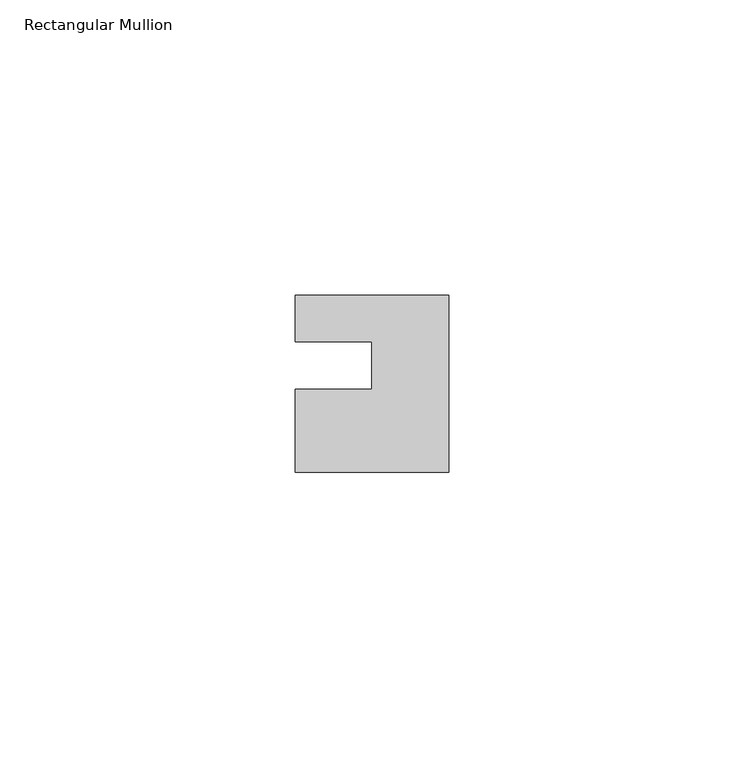
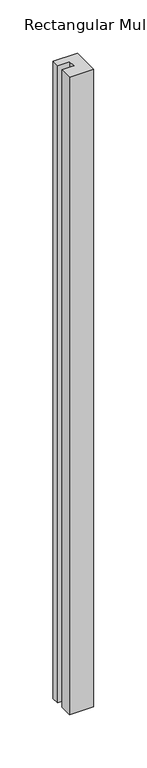
"""IFC4 building model written with IfcOpenShell, lengths in millimetres: member geometry, Rectangular Mullion."""

from ifc_helpers import new_model, si_unit, frame, origin, place, context, project, spatial, polyline, outline, extrude, source, transform, mapped, element, save


def rectangular_mullion_ecf72025(model_context):
    return source(origin(), model_context, "Body", "SweptSolid", [
        extrude(outline(polyline([(-26.0, 0.001), (-26.0, 7.94), (0.0, 7.94), (0.0, -22.06), (-26.0, -22.06), (-26.0, -8.0), (-13.0, -8.0), (-13.0, 0.001), (-26.0, 0.001)])), frame((0.0, 0.0, -727.0), z_axis=(0.0, 0.0, 1.0), x_axis=(1.0, 0.0, 0.0)), (0.0, 0.0, 1.0), 727.0),
    ])


if __name__ == "__main__":
    model = new_model("IFC4")
    model_context = context("Model", 3, world=origin())
    ifc_project = project(units=[si_unit("LENGTHUNIT", "METRE", prefix="MILLI")], contexts=[model_context])
    site = spatial("IfcSite", under=ifc_project)
    building = spatial("IfcBuilding", under=site)
    placement = place(None, origin())
    rectangular_mullion_shape = rectangular_mullion_ecf72025(model_context)
    element("IfcMember", 1, ObjectType="Rectangular Mullion", at=placement, inside=building, context=model_context, shape_type="MappedRepresentation", body=[
        mapped(rectangular_mullion_shape, transform((0.0, 0.0, 0.0), x_axis=(1.0, 0.0, 0.0), y_axis=(0.0, 1.0, 0.0), z_axis=(0.0, 0.0, 1.0))),
    ])
    save(model, "model.ifc")
